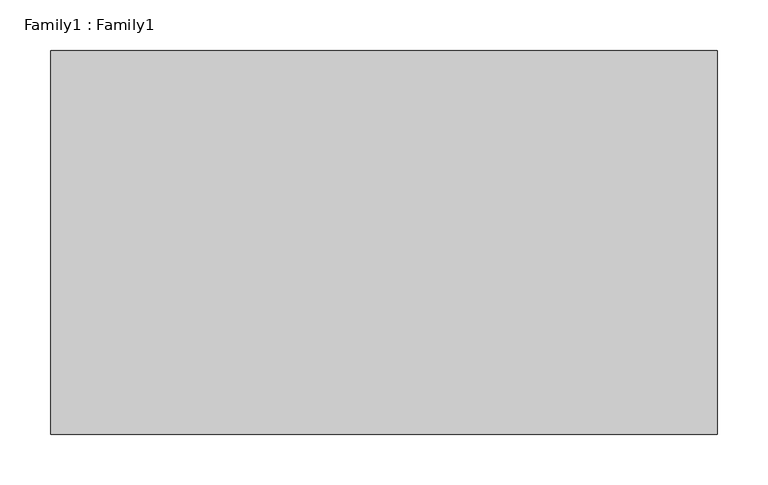
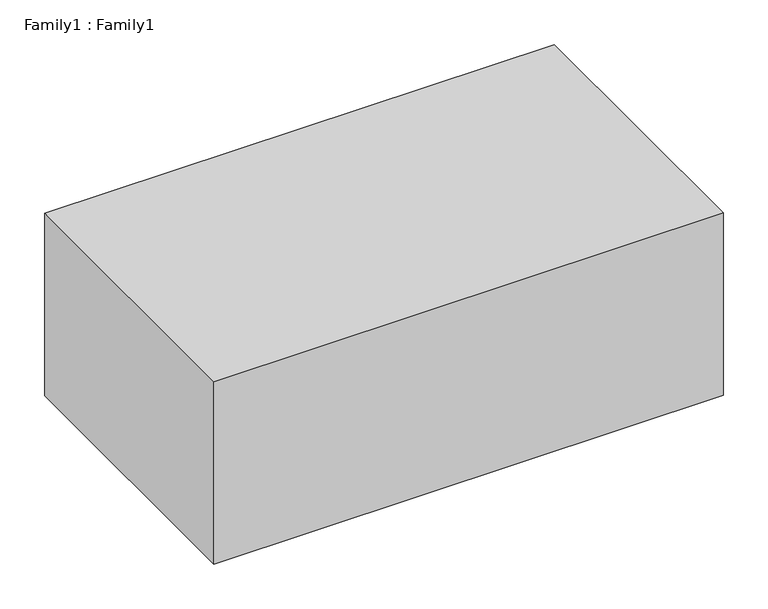
"""IFC4 building model written with IfcOpenShell, lengths in millimetres: proxy geometry, Family1 : Family1."""

from ifc_helpers import new_model, si_unit, origin, origin_with_axes, place, context, project, spatial, polyline, outline, extrude, source, transform, mapped, element, save


def family1_family1_4b6dbc40(model_context):
    return source(origin(), model_context, "Body", "SweptSolid", [
        extrude(outline(polyline([(660.0, 0.0), (0.0, 0.0), (0.0, 380.0), (660.0, 380.0), (660.0, 0.0)])), origin_with_axes(), (0.0, 0.0, 1.0), 250.0),
    ])


if __name__ == "__main__":
    model = new_model("IFC4")
    model_context = context("Model", 3, world=origin())
    ifc_project = project(units=[si_unit("LENGTHUNIT", "METRE", prefix="MILLI")], contexts=[model_context])
    site = spatial("IfcSite", under=ifc_project)
    building = spatial("IfcBuilding", under=site)
    placement = place(None, origin())
    family1_family1_shape = family1_family1_4b6dbc40(model_context)
    element("IfcBuildingElementProxy", 1, Name="Family1 : Family1", ObjectType="Family1 : Family1", at=placement, inside=building, context=model_context, shape_type="MappedRepresentation", body=[
        mapped(family1_family1_shape, transform((0.0, 0.0, 0.0), x_axis=(1.0, 0.0, 0.0), y_axis=(0.0, 1.0, 0.0), z_axis=(0.0, 0.0, 1.0))),
    ])
    save(model, "model.ifc")
